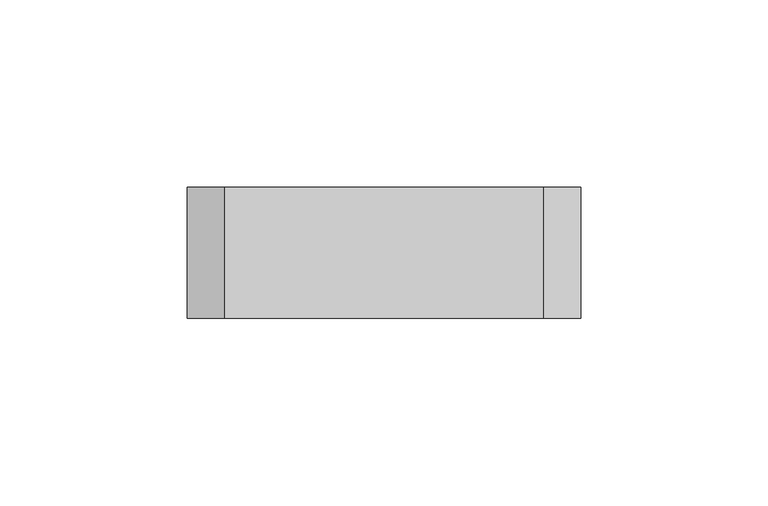
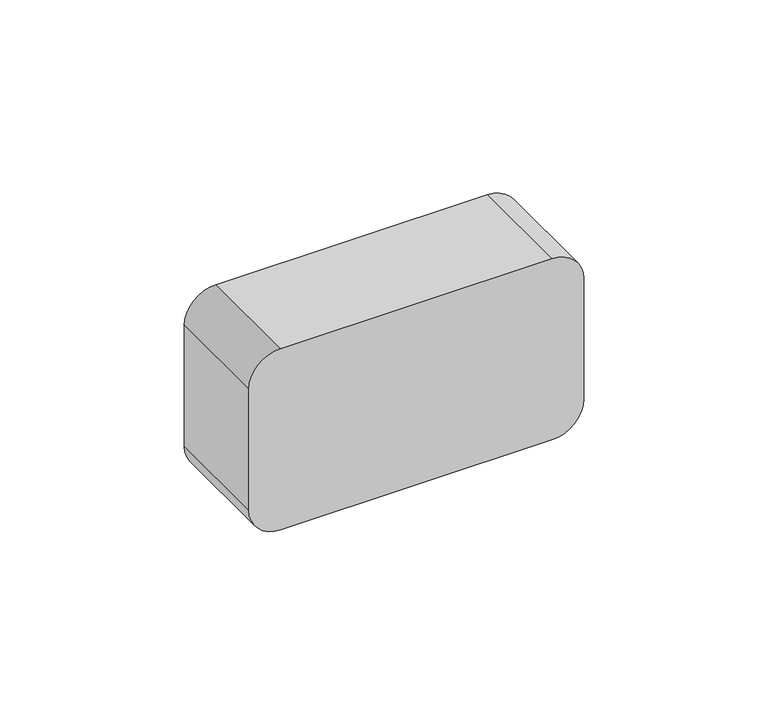
"""IFC4 building model written with IfcOpenShell, lengths in millimetres: proxy geometry."""

from ifc_helpers import new_model, si_unit, frame, origin, place, context, project, spatial, polyline, circle_curve, source, transform, mapped, element, save
from ifc_brep_helpers import plane_surface, cylinder_surface, revolved_surface, advanced_brep


def electrical_fixtures_0b95b9d9(model_context):
    return source(origin(), model_context, "Body", "AdvancedBrep", [
        advanced_brep(
        [(82.5, 35.0, 210.0), (167.5, 35.0, 210.0), (177.5, 35.0, 200.0), (177.5, 35.0, 160.0), (167.5, 35.0, 150.0), (82.5, 35.0, 150.0), (72.5, 35.0, 160.0), (72.5, 35.0, 200.0), (147.5, 35.0, 199.0), (147.5, 35.0, 161.0), (102.5, 35.0, 199.0), (102.5, 35.0, 161.0), (82.5, 0.0, 210.0), (72.5, 0.0, 200.0), (72.5, 0.0, 160.0), (82.5, 0.0, 150.0), (167.5, 0.0, 150.0), (177.5, 0.0, 160.0), (177.5, 0.0, 200.0), (167.5, 0.0, 210.0), (147.5, 23.0, 199.0), (147.5, 23.0, 161.0), (156.3542367, 23.0, 182.0), (156.3542367, 23.0, 178.0), (138.6457633, 23.0, 182.0), (138.6457633, 23.0, 178.0), (102.5, 23.0, 199.0), (102.5, 23.0, 161.0), (111.3542367, 23.0, 182.0), (111.3542367, 23.0, 178.0), (93.6457633, 23.0, 182.0), (93.6457633, 23.0, 178.0), (111.3542367, 15.0, 182.0), (111.3542367, 15.0, 178.0), (93.6457633, 15.0, 182.0), (93.6457633, 15.0, 178.0), (156.3542367, 15.0, 182.0), (156.3542367, 15.0, 178.0), (138.6457633, 15.0, 182.0), (138.6457633, 15.0, 178.0)],
        [
            (0, 1),
            (1, 2, circle_curve(frame((167.5, 35.0, 200.0), z_axis=(0.0, 1.0, 0.0), x_axis=(-1.0, 0.0, 0.0)), 10.0)),
            (2, 3),
            (3, 4, circle_curve(frame((167.5, 35.0, 160.0), z_axis=(0.0, 1.0, 0.0), x_axis=(-1.0, 0.0, 0.0)), 10.0)),
            (4, 5),
            (5, 6, circle_curve(frame((82.5, 35.0, 160.0), z_axis=(0.0, 1.0, 0.0), x_axis=(-1.0, 0.0, 0.0)), 10.0)),
            (6, 7),
            (7, 0, circle_curve(frame((82.5, 35.0, 200.0), z_axis=(0.0, 1.0, 0.0), x_axis=(-1.0, 0.0, 0.0)), 10.0)),
            (8, 9, circle_curve(frame((147.5, 35.0, 180.0), z_axis=(0.0, -1.0, 0.0), x_axis=(0.0, 0.0, -1.0)), 19.0)),
            (9, 8, circle_curve(frame((147.5, 35.0, 180.0), z_axis=(0.0, -1.0, 0.0), x_axis=(0.0, 0.0, -1.0)), 19.0)),
            (10, 11, circle_curve(frame((102.5, 35.0, 180.0), z_axis=(0.0, -1.0, 0.0), x_axis=(0.0, 0.0, -1.0)), 19.0)),
            (11, 10, circle_curve(frame((102.5, 35.0, 180.0), z_axis=(0.0, -1.0, 0.0), x_axis=(0.0, 0.0, -1.0)), 19.0)),
            (12, 13, circle_curve(frame((82.5, 0.0, 200.0), z_axis=(0.0, -1.0, 0.0), x_axis=(-1.0, 0.0, 0.0)), 10.0)),
            (13, 14),
            (14, 15, circle_curve(frame((82.5, 0.0, 160.0), z_axis=(0.0, -1.0, 0.0), x_axis=(-1.0, 0.0, 0.0)), 10.0)),
            (15, 16),
            (16, 17, circle_curve(frame((167.5, 0.0, 160.0), z_axis=(0.0, -1.0, 0.0), x_axis=(-1.0, 0.0, 0.0)), 10.0)),
            (17, 18),
            (18, 19, circle_curve(frame((167.5, 0.0, 200.0), z_axis=(0.0, -1.0, 0.0), x_axis=(-1.0, 0.0, 0.0)), 10.0)),
            (19, 12),
            (0, 12),
            (19, 1),
            (2, 18),
            (17, 3),
            (4, 16),
            (15, 5),
            (6, 14),
            (13, 7),
            (20, 21, circle_curve(frame((147.5, 23.0, 180.0), z_axis=(0.0, 1.0, 0.0), x_axis=(0.0, 0.0, -1.0)), 19.0)),
            (21, 20, circle_curve(frame((147.5, 23.0, 180.0), z_axis=(0.0, 1.0, 0.0), x_axis=(0.0, 0.0, -1.0)), 19.0)),
            (22, 23, circle_curve(frame((156.3542367, 23.0, 180.0), z_axis=(0.0, -1.0, 0.0), x_axis=(0.0, 0.0, -1.0)), 2.0)),
            (23, 22, circle_curve(frame((156.3542367, 23.0, 180.0), z_axis=(0.0, -1.0, 0.0), x_axis=(0.0, 0.0, -1.0)), 2.0)),
            (24, 25, circle_curve(frame((138.6457633, 23.0, 180.0), z_axis=(0.0, -1.0, 0.0), x_axis=(0.0, 0.0, -1.0)), 2.0)),
            (25, 24, circle_curve(frame((138.6457633, 23.0, 180.0), z_axis=(0.0, -1.0, 0.0), x_axis=(0.0, 0.0, -1.0)), 2.0)),
            (21, 9),
            (8, 20),
            (26, 27, circle_curve(frame((102.5, 23.0, 180.0), z_axis=(0.0, 1.0, 0.0), x_axis=(0.0, 0.0, -1.0)), 19.0)),
            (27, 26, circle_curve(frame((102.5, 23.0, 180.0), z_axis=(0.0, 1.0, 0.0), x_axis=(0.0, 0.0, -1.0)), 19.0)),
            (28, 29, circle_curve(frame((111.3542367, 23.0, 180.0), z_axis=(0.0, -1.0, 0.0), x_axis=(0.0, 0.0, -1.0)), 2.0)),
            (29, 28, circle_curve(frame((111.3542367, 23.0, 180.0), z_axis=(0.0, -1.0, 0.0), x_axis=(0.0, 0.0, -1.0)), 2.0)),
            (30, 31, circle_curve(frame((93.6457633, 23.0, 180.0), z_axis=(0.0, -1.0, 0.0), x_axis=(0.0, 0.0, -1.0)), 2.0)),
            (31, 30, circle_curve(frame((93.6457633, 23.0, 180.0), z_axis=(0.0, -1.0, 0.0), x_axis=(0.0, 0.0, -1.0)), 2.0)),
            (27, 11),
            (10, 26),
            (32, 33, circle_curve(frame((111.3542367, 15.0, 180.0), z_axis=(0.0, 1.0, 0.0), x_axis=(0.0, 0.0, -1.0)), 2.0)),
            (33, 32, circle_curve(frame((111.3542367, 15.0, 180.0), z_axis=(0.0, 1.0, 0.0), x_axis=(0.0, 0.0, -1.0)), 2.0)),
            (34, 35, circle_curve(frame((93.6457633, 15.0, 180.0), z_axis=(0.0, 1.0, 0.0), x_axis=(0.0, 0.0, -1.0)), 2.0)),
            (35, 34, circle_curve(frame((93.6457633, 15.0, 180.0), z_axis=(0.0, 1.0, 0.0), x_axis=(0.0, 0.0, -1.0)), 2.0)),
            (33, 29),
            (28, 32),
            (35, 31),
            (30, 34),
            (36, 37, circle_curve(frame((156.3542367, 15.0, 180.0), z_axis=(0.0, 1.0, 0.0), x_axis=(0.0, 0.0, -1.0)), 2.0)),
            (37, 36, circle_curve(frame((156.3542367, 15.0, 180.0), z_axis=(0.0, 1.0, 0.0), x_axis=(0.0, 0.0, -1.0)), 2.0)),
            (38, 39, circle_curve(frame((138.6457633, 15.0, 180.0), z_axis=(0.0, 1.0, 0.0), x_axis=(0.0, 0.0, -1.0)), 2.0)),
            (39, 38, circle_curve(frame((138.6457633, 15.0, 180.0), z_axis=(0.0, 1.0, 0.0), x_axis=(0.0, 0.0, -1.0)), 2.0)),
            (37, 23),
            (22, 36),
            (39, 25),
            (24, 38),
        ],
        [
            plane_surface(frame((167.5, 35.0, 210.0), z_axis=(0.0, 1.0, 0.0), x_axis=(1.0, 0.0, 0.0))),
            plane_surface(frame((167.5, 0.0, 210.0), z_axis=(0.0, -1.0, 0.0), x_axis=(-1.0, 0.0, 0.0))),
            plane_surface(frame((82.5, 35.0, 210.0), z_axis=(0.0, 0.0, 1.0), x_axis=(0.0, -1.0, 0.0))),
            plane_surface(frame((177.5, 35.0, 200.0), z_axis=(1.0, 0.0, 0.0), x_axis=(0.0, -1.0, 0.0))),
            plane_surface(frame((167.5, 35.0, 150.0), z_axis=(0.0, 0.0, -1.0), x_axis=(0.0, -1.0, 0.0))),
            plane_surface(frame((72.5, 35.0, 160.0), z_axis=(-1.0, 0.0, 0.0), x_axis=(0.0, -1.0, 0.0))),
            cylinder_surface(frame((167.5, 0.0, 200.0), z_axis=(0.0, 1.0, 0.0), x_axis=(-1.0, 0.0, 0.0)), 10.0),
            cylinder_surface(frame((167.5, 0.0, 160.0), z_axis=(0.0, 1.0, 0.0), x_axis=(-1.0, 0.0, 0.0)), 10.0),
            cylinder_surface(frame((82.5, 0.0, 160.0), z_axis=(0.0, 1.0, 0.0), x_axis=(-1.0, 0.0, 0.0)), 10.0),
            cylinder_surface(frame((82.5, 0.0, 200.0), z_axis=(0.0, 1.0, 0.0), x_axis=(-1.0, 0.0, 0.0)), 10.0),
            plane_surface(frame((147.5, 23.0, 161.0), z_axis=(0.0, 1.0, 0.0), x_axis=(1.0, 0.0, 0.0))),
            revolved_surface(polyline([(147.5, 23.0, 161.0), (147.5, 35.0, 161.0)]), (147.5, 35.0, 180.0), (0.0, -1.0, 0.0)),
            plane_surface(frame((102.5, 23.0, 161.0), z_axis=(0.0, 1.0, 0.0), x_axis=(1.0, 0.0, 0.0))),
            revolved_surface(polyline([(102.5, 23.0, 161.0), (102.5, 35.0, 161.0)]), (102.5, 35.0, 180.0), (0.0, -1.0, 0.0)),
            plane_surface(frame((111.3542367, 15.0, 178.0), z_axis=(0.0, 1.0, 0.0), x_axis=(1.0, 0.0, 0.0))),
            revolved_surface(polyline([(111.3542367, 15.0, 178.0), (111.3542367, 23.0, 178.0)]), (111.3542367, 23.0, 180.0), (0.0, -1.0, 0.0)),
            revolved_surface(polyline([(93.6457633, 15.0, 178.0), (93.6457633, 23.0, 178.0)]), (93.6457633, 35.0, 180.0), (0.0, -1.0, 0.0)),
            plane_surface(frame((156.3542367, 15.0, 178.0), z_axis=(0.0, 1.0, 0.0), x_axis=(1.0, 0.0, 0.0))),
            revolved_surface(polyline([(156.3542367, 15.0, 178.0), (156.3542367, 23.0, 178.0)]), (156.3542367, 23.0, 180.0), (0.0, -1.0, 0.0)),
            revolved_surface(polyline([(138.6457633, 15.0, 178.0), (138.6457633, 23.0, 178.0)]), (138.6457633, 35.0, 180.0), (0.0, -1.0, 0.0)),
        ],
        [
            (0, [[1, 2, 3, 4, 5, 6, 7, 8], [9, 10], [11, 12]]),
            (1, [[13, 14, 15, 16, 17, 18, 19, 20]]),
            (2, [[-1, 21, -20, 22]]),
            (3, [[-3, 23, -18, 24]]),
            (4, [[-5, 25, -16, 26]]),
            (5, [[-7, 27, -14, 28]]),
            (6, [[-2, -22, -19, -23]]),
            (7, [[-4, -24, -17, -25]]),
            (8, [[-6, -26, -15, -27]]),
            (9, [[-8, -28, -13, -21]]),
            (10, [[29, 30], [31, 32], [33, 34]]),
            (11, [[-30, 35, -9, 36]]),
            (11, [[-29, -36, -10, -35]]),
            (12, [[37, 38], [39, 40], [41, 42]]),
            (13, [[-38, 43, -11, 44]]),
            (13, [[-37, -44, -12, -43]]),
            (14, [[45, 46]]),
            (14, [[47, 48]]),
            (15, [[-46, 49, -39, 50]]),
            (15, [[-45, -50, -40, -49]]),
            (16, [[-48, 51, -41, 52]]),
            (16, [[-47, -52, -42, -51]]),
            (17, [[53, 54]]),
            (17, [[55, 56]]),
            (18, [[-54, 57, -31, 58]]),
            (18, [[-53, -58, -32, -57]]),
            (19, [[-56, 59, -33, 60]]),
            (19, [[-55, -60, -34, -59]]),
        ],
    ),
    ])


if __name__ == "__main__":
    model = new_model("IFC4")
    model_context = context("Model", 3, world=origin())
    ifc_project = project(units=[si_unit("LENGTHUNIT", "METRE", prefix="MILLI")], contexts=[model_context])
    site = spatial("IfcSite", under=ifc_project)
    building = spatial("IfcBuilding", under=site)
    placement = place(None, origin())
    electrical_fixtures_shape = electrical_fixtures_0b95b9d9(model_context)
    element("IfcBuildingElementProxy", 1, Name="Electrical Fixtures", at=placement, inside=building, context=model_context, shape_type="MappedRepresentation", body=[
        mapped(electrical_fixtures_shape, transform((0.0, 0.0, 0.0), x_axis=(1.0, 0.0, 0.0), y_axis=(0.0, 1.0, 0.0), z_axis=(0.0, 0.0, 1.0))),
    ])
    save(model, "model.ifc")
